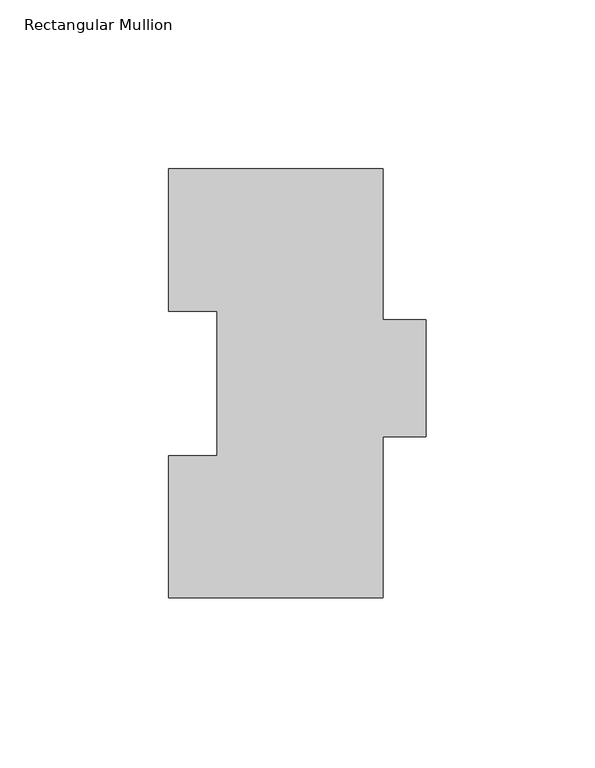
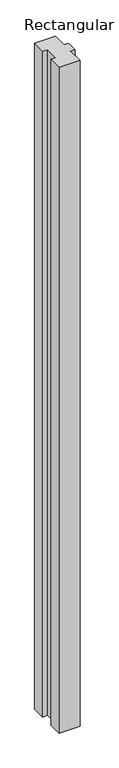
"""IFC4 building model written with IfcOpenShell, lengths in millimetres: member geometry, Rectangular Mullion."""

from ifc_helpers import new_model, si_unit, frame, origin, place, context, project, spatial, polyline, outline, extrude, source, transform, mapped, element, save


def rectangular_mullion_9558f085(model_context):
    return source(origin(), model_context, "Body", "SweptSolid", [
        extrude(outline(polyline([(31.75, 127.00635), (31.75, 82.30235), (44.4497287, 82.30235), (44.4497287, 47.63135), (31.75, 47.63135), (31.75, 0.00635), (-31.7497287, 0.00635), (-31.7497287, 42.08145), (-17.4622287, 42.08145), (-17.4622287, 84.93125), (-31.7502713, 84.93125), (-31.7502713, 127.00635), (31.75, 127.00635)])), frame((0.0, 0.0, -2133.6), z_axis=(0.0, 0.0, 1.0), x_axis=(1.0, 0.0, 0.0)), (0.0, 0.0, 1.0), 2133.6),
    ])


if __name__ == "__main__":
    model = new_model("IFC4")
    model_context = context("Model", 3, world=origin())
    ifc_project = project(units=[si_unit("LENGTHUNIT", "METRE", prefix="MILLI")], contexts=[model_context])
    site = spatial("IfcSite", under=ifc_project)
    building = spatial("IfcBuilding", under=site)
    placement = place(None, origin())
    rectangular_mullion_shape = rectangular_mullion_9558f085(model_context)
    element("IfcMember", 1, ObjectType="Rectangular Mullion", at=placement, inside=building, context=model_context, shape_type="MappedRepresentation", body=[
        mapped(rectangular_mullion_shape, transform((0.0, 0.0, 0.0), x_axis=(1.0, 0.0, 0.0), y_axis=(0.0, 1.0, 0.0), z_axis=(0.0, 0.0, 1.0))),
    ])
    save(model, "model.ifc")
